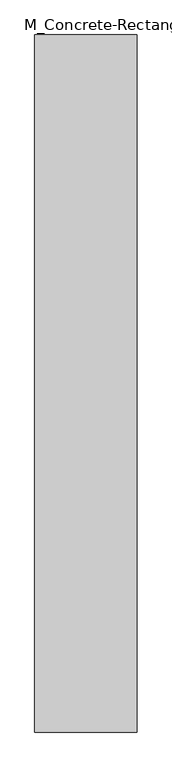
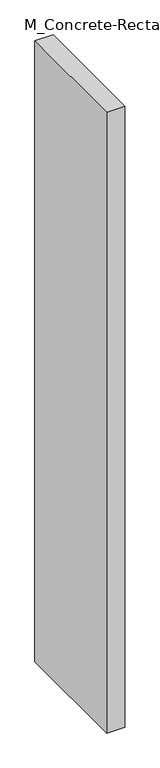
"""IFC4 building model written with IfcOpenShell, lengths in millimetres: column geometry, M_Concrete-Rectangular-Column : 50x340."""

from ifc_helpers import new_model, si_unit, origin, origin_with_axes, place, context, project, spatial, polyline, outline, extrude, source, transform, mapped, element, save


def m_concrete_rectangular_column_50x340_4a3a9cf4(model_context):
    return source(origin(), model_context, "Body", "SweptSolid", [
        extrude(outline(polyline([(250.0, 1700.0), (250.0, -1700.0), (-250.0, -1700.0), (-250.0, 1700.0), (250.0, 1700.0)])), origin_with_axes(), (0.0, 0.0, 1.0), 18000.0),
    ])


if __name__ == "__main__":
    model = new_model("IFC4")
    model_context = context("Model", 3, world=origin())
    ifc_project = project(units=[si_unit("LENGTHUNIT", "METRE", prefix="MILLI")], contexts=[model_context])
    site = spatial("IfcSite", under=ifc_project)
    building = spatial("IfcBuilding", under=site)
    placement = place(None, origin())
    m_concrete_rectangular_column_50x340_shape = m_concrete_rectangular_column_50x340_4a3a9cf4(model_context)
    element("IfcColumn", 1, ObjectType="M_Concrete-Rectangular-Column : 50x340", at=placement, inside=building, context=model_context, shape_type="MappedRepresentation", body=[
        mapped(m_concrete_rectangular_column_50x340_shape, transform((0.0, 0.0, 0.0), x_axis=(1.0, 0.0, 0.0), y_axis=(0.0, 1.0, 0.0), z_axis=(0.0, 0.0, 1.0))),
    ])
    save(model, "model.ifc")
